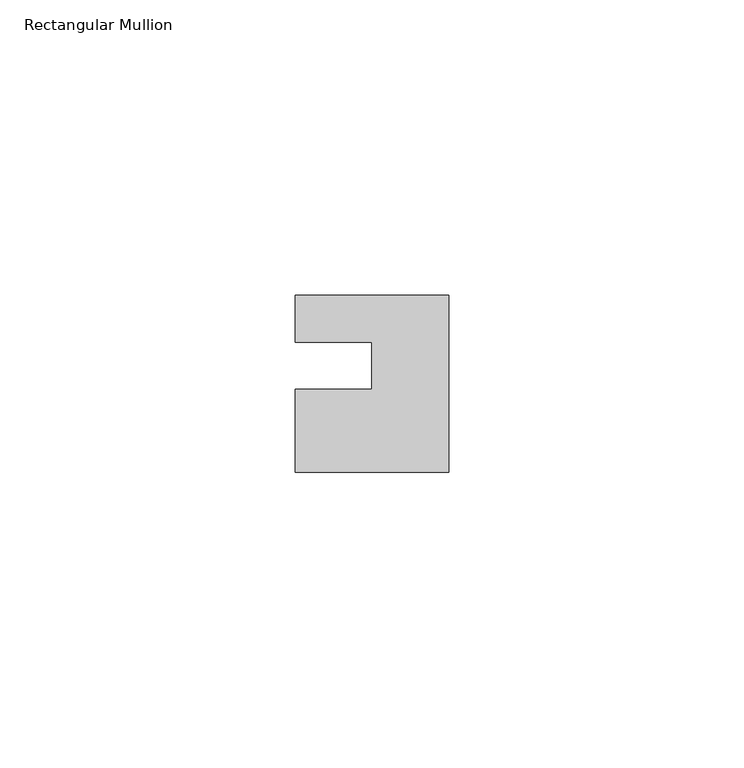
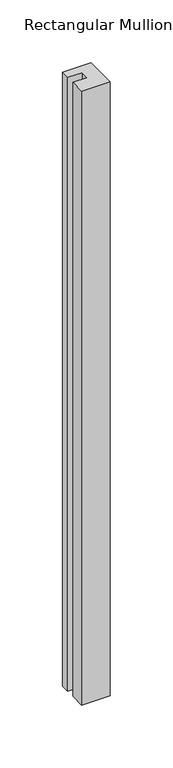
"""IFC4 building model written with IfcOpenShell, lengths in millimetres: member geometry, Rectangular Mullion."""

from ifc_helpers import new_model, si_unit, frame, origin, place, context, project, spatial, polyline, outline, extrude, source, transform, mapped, element, save


def rectangular_mullion_369b9744(model_context):
    return source(origin(), model_context, "Body", "SweptSolid", [
        extrude(outline(polyline([(-26.0, 0.001), (-26.0, 7.94), (0.0, 7.94), (0.0, -22.06), (-26.0, -22.06), (-26.0, -8.0), (-13.0, -8.0), (-13.0, 0.001), (-26.0, 0.001)])), frame((0.0, 0.0, -594.8963605), z_axis=(0.0, 0.0, 1.0), x_axis=(1.0, 0.0, 0.0)), (0.0, 0.0, 1.0), 594.8963605),
    ])


if __name__ == "__main__":
    model = new_model("IFC4")
    model_context = context("Model", 3, world=origin())
    ifc_project = project(units=[si_unit("LENGTHUNIT", "METRE", prefix="MILLI")], contexts=[model_context])
    site = spatial("IfcSite", under=ifc_project)
    building = spatial("IfcBuilding", under=site)
    placement = place(None, origin())
    rectangular_mullion_shape = rectangular_mullion_369b9744(model_context)
    element("IfcMember", 1, ObjectType="Rectangular Mullion", at=placement, inside=building, context=model_context, shape_type="MappedRepresentation", body=[
        mapped(rectangular_mullion_shape, transform((0.0, 0.0, 0.0), x_axis=(1.0, 0.0, 0.0), y_axis=(0.0, 1.0, 0.0), z_axis=(0.0, 0.0, 1.0))),
    ])
    save(model, "model.ifc")
